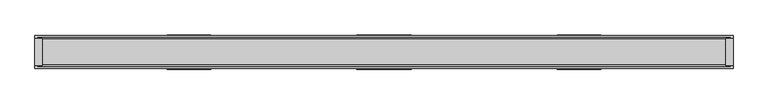
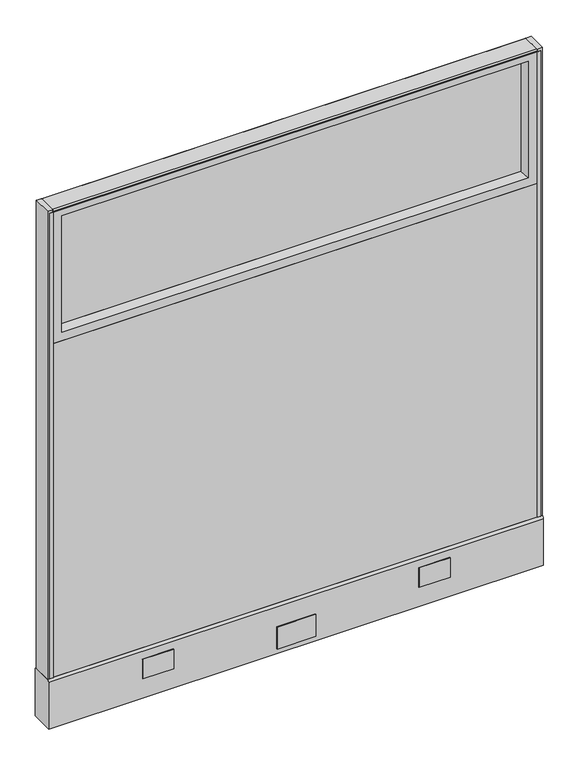
"""IFC4 building model written with IfcOpenShell, lengths in millimetres: furniture geometry."""

from ifc_helpers import new_model, si_unit, point, frame, frame_2d, origin, place, context, project, spatial, polyline, circle_curve, trimmed, segment, composite_curve, outline, extrude, faceted_brep, source, transform, mapped, element, save
from ifc_brep_helpers import plane_surface, cylinder_surface, advanced_brep


def furniture_85799d44(model_context):
    return source(origin(), model_context, "Body", "SolidModel", [
        extrude(outline(polyline([(596.9, 23.8125), (596.9, 0.0), (-596.9, 0.0), (-596.9, 23.8125), (596.9, 23.8125)])), frame((0.0, 0.0, 136.525), z_axis=(0.0, 0.0, 1.0), x_axis=(1.0, 0.0, 0.0)), (0.0, 0.0, 1.0), 869.9500242),
        extrude(outline(polyline([(568.3280802, 3.5657282), (568.3280802, -3.5657282), (-568.3209786, -3.5657282), (-568.3209786, 3.5657282), (568.3280802, 3.5657282)])), frame((0.0, 0.0, 1035.0500242), z_axis=(0.0, 0.0, 1.0), x_axis=(1.0, 0.0, 0.0)), (0.0, 0.0, 1.0), 290.5125727),
        faceted_brep([(574.6790846, 23.8125, 1028.6990198), (568.3280802, 3.5657282, 1035.0500242), (568.3280802, 3.5657282, 1325.5625969), (574.6790846, 23.8125, 1331.9136014), (596.9030802, -23.8125, 1006.4750242), (596.9030802, 23.8125, 1006.4750242), (596.9030802, 23.8125, 1354.1375969), (596.9030802, -23.8125, 1354.1375969), (568.3280802, -3.5657282, 1035.0500242), (574.6790846, -23.8125, 1028.6990198), (574.6790846, -23.8125, 1331.9136014), (568.3280802, -3.5657282, 1325.5625969), (-568.3209786, 3.5657282, 1325.5625969), (-574.6719831, 23.8125, 1331.9136014), (-596.8959786, 23.8125, 1354.1375969), (-596.8959786, -23.8125, 1354.1375969), (-574.6719831, -23.8125, 1331.9136014), (-568.3209786, -3.5657282, 1325.5625969), (-568.3209786, 3.5657282, 1035.0500242), (-574.6719831, 23.8125, 1028.6990198), (-596.8959786, 23.8125, 1006.4750242), (-596.8959786, -23.8125, 1006.4750242), (-574.6719831, -23.8125, 1028.6990198), (-568.3209786, -3.5657282, 1035.0500242)], [[[0, 1, 2, 3]], [[4, 5, 6, 7]], [[8, 9, 10, 11]], [[1, 8, 11, 2]], [[3, 2, 12, 13]], [[7, 6, 14, 15]], [[11, 10, 16, 17]], [[2, 11, 17, 12]], [[13, 12, 18, 19]], [[15, 14, 20, 21]], [[17, 16, 22, 23]], [[12, 17, 23, 18]], [[19, 18, 1, 0]], [[5, 20, 14, 6], [3, 13, 19, 0]], [[21, 20, 5, 4]], [[7, 15, 21, 4], [9, 22, 16, 10]], [[23, 22, 9, 8]], [[18, 23, 8, 1]]]),
        extrude(outline(polyline([(47.625, 28.575), (-47.625, 28.575), (-47.625, 30.1625), (47.625, 30.1625), (47.625, 28.575)])), frame((0.0, 0.0, 22.225), z_axis=(0.0, 0.0, 1.0), x_axis=(1.0, 0.0, 0.0)), (0.0, 0.0, 1.0), 57.15),
        extrude(outline(polyline([(47.625, -30.1625), (-47.625, -30.1625), (-47.625, -28.575), (47.625, -28.575), (47.625, -30.1625)])), frame((0.0, 0.0, 22.225), z_axis=(0.0, 0.0, 1.0), x_axis=(1.0, 0.0, 0.0)), (0.0, 0.0, 1.0), 57.15),
        advanced_brep(
        [(552.45, 0.0, 0.0), (577.85, 0.0, 0.0), (565.15, 0.0, 0.0), (552.45, 0.0, 4.7625), (577.85, 0.0, 4.7625), (558.8, 0.0, 4.7625), (571.5, 0.0, 4.7625), (558.8, 0.0, 111.125), (571.5, 0.0, 111.125), (565.15, 0.0, 111.125)],
        [
            (0, 1, circle_curve(frame((565.15, 0.0, 0.0), z_axis=(0.0, 0.0, -1.0), x_axis=(1.0, 0.0, 0.0)), 12.7)),
            (1, 2),
            (2, 0),
            (1, 0, circle_curve(frame((565.15, 0.0, 0.0), z_axis=(0.0, 0.0, -1.0), x_axis=(1.0, 0.0, 0.0)), 12.7)),
            (3, 4, circle_curve(frame((565.15, 0.0, 4.7625), z_axis=(0.0, 0.0, -1.0), x_axis=(1.0, 0.0, 0.0)), 12.7)),
            (4, 1),
            (0, 3),
            (4, 3, circle_curve(frame((565.15, 0.0, 4.7625), z_axis=(0.0, 0.0, -1.0), x_axis=(1.0, 0.0, 0.0)), 12.7)),
            (5, 6, circle_curve(frame((565.15, 0.0, 4.7625), z_axis=(0.0, 0.0, -1.0), x_axis=(1.0, 0.0, 0.0)), 6.35)),
            (6, 4),
            (3, 5),
            (6, 5, circle_curve(frame((565.15, 0.0, 4.7625), z_axis=(0.0, 0.0, -1.0), x_axis=(1.0, 0.0, 0.0)), 6.35)),
            (7, 8, circle_curve(frame((565.15, 0.0, 111.125), z_axis=(0.0, 0.0, -1.0), x_axis=(1.0, 0.0, 0.0)), 6.35)),
            (8, 6),
            (5, 7),
            (8, 7, circle_curve(frame((565.15, 0.0, 111.125), z_axis=(0.0, 0.0, -1.0), x_axis=(1.0, 0.0, 0.0)), 6.35)),
            (9, 8),
            (7, 9),
        ],
        [
            plane_surface(frame((565.15, 0.0, 0.0), z_axis=(0.0, 0.0, -1.0), x_axis=(1.0, 0.0, 0.0))),
            cylinder_surface(frame((565.15, 0.0, 114.882153), z_axis=(0.0, 0.0, 1.0), x_axis=(1.0, 0.0, 0.0)), 12.7),
            plane_surface(frame((565.15, 0.0, 4.7625), z_axis=(0.0, 0.0, 1.0), x_axis=(1.0, 0.0, 0.0))),
            cylinder_surface(frame((565.15, 0.0, 114.882153), z_axis=(0.0, 0.0, 1.0), x_axis=(1.0, 0.0, 0.0)), 6.35),
            plane_surface(frame((565.15, 0.0, 111.125), z_axis=(0.0, 0.0, 1.0), x_axis=(1.0, 0.0, 0.0))),
        ],
        [
            (0, [[1, 2, 3]]),
            (0, [[4, -3, -2]]),
            (1, [[5, 6, -1, 7]]),
            (1, [[8, -7, -4, -6]]),
            (2, [[9, 10, -5, 11]]),
            (2, [[12, -11, -8, -10]]),
            (3, [[13, 14, -9, 15]]),
            (3, [[16, -15, -12, -14]]),
            (4, [[17, -13, 18]]),
            (4, [[-18, -16, -17]]),
        ],
    ),
        advanced_brep(
        [(-577.85, 0.0, 4.7625), (-552.45, 0.0, 4.7625), (-552.45, 0.0, 0.0), (-577.85, 0.0, 0.0), (-571.5, 0.0, 4.7625), (-558.8, 0.0, 4.7625), (-571.5, 0.0, 111.125), (-558.8, 0.0, 111.125), (-565.15, 0.0, 111.125), (-565.15, 0.0, 0.0)],
        [
            (0, 1, circle_curve(frame((-565.15, 0.0, 4.7625), z_axis=(0.0, 0.0, -1.0), x_axis=(1.0, 0.0, 0.0)), 12.7)),
            (1, 2),
            (2, 3, circle_curve(frame((-565.15, 0.0, 0.0), z_axis=(0.0, 0.0, 1.0), x_axis=(1.0, 0.0, 0.0)), 12.7)),
            (3, 0),
            (1, 0, circle_curve(frame((-565.15, 0.0, 4.7625), z_axis=(0.0, 0.0, -1.0), x_axis=(1.0, 0.0, 0.0)), 12.7)),
            (3, 2, circle_curve(frame((-565.15, 0.0, 0.0), z_axis=(0.0, 0.0, 1.0), x_axis=(1.0, 0.0, 0.0)), 12.7)),
            (4, 5, circle_curve(frame((-565.15, 0.0, 4.7625), z_axis=(0.0, 0.0, -1.0), x_axis=(1.0, 0.0, 0.0)), 6.35)),
            (5, 1),
            (0, 4),
            (5, 4, circle_curve(frame((-565.15, 0.0, 4.7625), z_axis=(0.0, 0.0, -1.0), x_axis=(1.0, 0.0, 0.0)), 6.35)),
            (6, 7, circle_curve(frame((-565.15, 0.0, 111.125), z_axis=(0.0, 0.0, -1.0), x_axis=(1.0, 0.0, 0.0)), 6.35)),
            (7, 5),
            (4, 6),
            (7, 6, circle_curve(frame((-565.15, 0.0, 111.125), z_axis=(0.0, 0.0, -1.0), x_axis=(1.0, 0.0, 0.0)), 6.35)),
            (8, 7),
            (6, 8),
            (2, 9),
            (9, 3),
        ],
        [
            cylinder_surface(frame((-565.15, 0.0, 123.825), z_axis=(0.0, 0.0, 1.0), x_axis=(1.0, 0.0, 0.0)), 12.7),
            plane_surface(frame((-565.15, 0.0, 4.7625), z_axis=(0.0, 0.0, 1.0), x_axis=(1.0, 0.0, 0.0))),
            cylinder_surface(frame((-565.15, 0.0, 123.825), z_axis=(0.0, 0.0, 1.0), x_axis=(1.0, 0.0, 0.0)), 6.35),
            plane_surface(frame((-565.15, 0.0, 111.125), z_axis=(0.0, 0.0, 1.0), x_axis=(1.0, 0.0, 0.0))),
            plane_surface(frame((-565.15, 0.0, 0.0), z_axis=(0.0, 0.0, -1.0), x_axis=(1.0, 0.0, 0.0))),
        ],
        [
            (0, [[1, 2, 3, 4]]),
            (0, [[5, -4, 6, -2]]),
            (1, [[7, 8, -1, 9]]),
            (1, [[10, -9, -5, -8]]),
            (2, [[11, 12, -7, 13]]),
            (2, [[14, -13, -10, -12]]),
            (3, [[15, -11, 16]]),
            (3, [[-16, -14, -15]]),
            (4, [[-3, 17, 18]]),
            (4, [[-6, -18, -17]]),
        ],
    ),
        extrude(outline(polyline([(-609.6, 23.8125), (-596.9, 23.8125), (-596.9, -23.8125), (-609.6, -23.8125), (-609.6, 23.8125)])), frame((0.0, 0.0, 136.525), z_axis=(0.0, 0.0, 1.0), x_axis=(1.0, 0.0, 0.0)), (0.0, 0.0, 1.0), 1219.2),
        extrude(outline(polyline([(596.9, -23.8125), (596.9, 23.8125), (609.6, 23.8125), (609.6, -23.8125), (596.9, -23.8125)])), frame((0.0, 0.0, 136.525), z_axis=(0.0, 0.0, 1.0), x_axis=(1.0, 0.0, 0.0)), (0.0, 0.0, 1.0), 1219.2),
        extrude(outline(polyline([(-596.9, 25.4), (-596.9, 23.8125), (-604.8375, 23.8125), (-604.8375, 25.4), (-596.9, 25.4)])), frame((0.0, 0.0, 136.525), z_axis=(0.0, 0.0, 1.0), x_axis=(1.0, 0.0, 0.0)), (0.0, 0.0, 1.0), 1212.85),
        extrude(outline(polyline([(-596.9, -25.4), (-604.8375, -25.4), (-604.8375, -23.8125), (-596.9, -23.8125), (-596.9, -25.4)])), frame((0.0, 0.0, 136.525), z_axis=(0.0, 0.0, 1.0), x_axis=(1.0, 0.0, 0.0)), (0.0, 0.0, 1.0), 1212.85),
        extrude(outline(polyline([(604.8375, 23.8125), (596.9, 23.8125), (596.9, 25.4), (604.8375, 25.4), (604.8375, 23.8125)])), frame((0.0, 0.0, 136.525), z_axis=(0.0, 0.0, 1.0), x_axis=(1.0, 0.0, 0.0)), (0.0, 0.0, 1.0), 1212.85),
        extrude(outline(polyline([(596.9, -25.4), (596.9, -23.8125), (604.8375, -23.8125), (604.8375, -25.4), (596.9, -25.4)])), frame((0.0, 0.0, 136.525), z_axis=(0.0, 0.0, 1.0), x_axis=(1.0, 0.0, 0.0)), (0.0, 0.0, 1.0), 1212.85),
        extrude(outline(composite_curve([segment(trimmed(circle_curve(frame_2d((22.225, 1352.55)), 3.175), [point((22.225, 1355.725))], [point((25.4, 1352.55))], False, "CARTESIAN"), True, "CONTINUOUS"), segment(polyline([(25.4, 1352.55), (25.4, 1349.375), (-25.4, 1349.375), (-25.4, 1352.55)]), True, "CONTINUOUS"), segment(trimmed(circle_curve(frame_2d((-22.225, 1352.55)), 3.175), [point((-25.4, 1352.55))], [point((-22.225, 1355.725))], False, "CARTESIAN"), True, "CONTINUOUS"), segment(polyline([(-22.225, 1355.725), (22.225, 1355.725)]), True, "CONTINUOUS")], self_intersect=False)), frame((-596.9, 0.0, 0.0), z_axis=(1.0, 0.0, 0.0), x_axis=(0.0, 1.0, 0.0)), (0.0, 0.0, 1.0), 1193.8),
        extrude(outline(polyline([(378.714, 30.1625), (378.714, 28.575), (302.514, 28.575), (302.514, 30.1625), (378.714, 30.1625)])), frame((0.0, 0.0, 60.325), z_axis=(0.0, 0.0, 1.0), x_axis=(1.0, 0.0, 0.0)), (0.0, 0.0, 1.0), 50.8),
        extrude(outline(polyline([(-302.514, 30.1625), (-302.514, 28.575), (-378.714, 28.575), (-378.714, 30.1625), (-302.514, 30.1625)])), frame((0.0, 0.0, 60.325), z_axis=(0.0, 0.0, 1.0), x_axis=(1.0, 0.0, 0.0)), (0.0, 0.0, 1.0), 50.8),
        extrude(outline(polyline([(378.714, -28.575), (378.714, -30.1625), (302.514, -30.1625), (302.514, -28.575), (378.714, -28.575)])), frame((0.0, 0.0, 60.325), z_axis=(0.0, 0.0, 1.0), x_axis=(1.0, 0.0, 0.0)), (0.0, 0.0, 1.0), 50.8),
        extrude(outline(polyline([(-302.514, -28.575), (-302.514, -30.1625), (-378.714, -30.1625), (-378.714, -28.575), (-302.514, -28.575)])), frame((0.0, 0.0, 60.325), z_axis=(0.0, 0.0, 1.0), x_axis=(1.0, 0.0, 0.0)), (0.0, 0.0, 1.0), 50.8),
        extrude(outline(composite_curve([segment(polyline([(28.575, 9.525), (-28.575, 9.525), (-28.575, 130.96875)]), True, "CONTINUOUS"), segment(trimmed(circle_curve(frame_2d((-23.01875, 130.96875)), 5.55625), [point((-28.575, 130.96875))], [point((-23.01875, 136.525))], False, "CARTESIAN"), True, "CONTINUOUS"), segment(polyline([(-23.01875, 136.525), (23.01875, 136.525)]), True, "CONTINUOUS"), segment(trimmed(circle_curve(frame_2d((23.01875, 130.96875)), 5.55625), [point((23.01875, 136.525))], [point((28.575, 130.96875))], False, "CARTESIAN"), True, "CONTINUOUS"), segment(polyline([(28.575, 130.96875), (28.575, 9.525)]), True, "CONTINUOUS")], self_intersect=False)), frame((-609.6, 0.0, 0.0), z_axis=(1.0, 0.0, 0.0), x_axis=(0.0, 1.0, 0.0)), (0.0, 0.0, 1.0), 1219.2),
        extrude(outline(polyline([(596.9, 0.0), (596.9, -23.8125), (-596.9, -23.8125), (-596.9, 0.0), (596.9, 0.0)])), frame((0.0, 0.0, 136.525), z_axis=(0.0, 0.0, 1.0), x_axis=(1.0, 0.0, 0.0)), (0.0, 0.0, 1.0), 869.9500242),
    ])


if __name__ == "__main__":
    model = new_model("IFC4")
    model_context = context("Model", 3, world=origin())
    ifc_project = project(units=[si_unit("LENGTHUNIT", "METRE", prefix="MILLI")], contexts=[model_context])
    site = spatial("IfcSite", under=ifc_project)
    building = spatial("IfcBuilding", under=site)
    placement = place(None, origin())
    furniture_shape = furniture_85799d44(model_context)
    element("IfcFurniture", 1, at=placement, inside=building, context=model_context, shape_type="MappedRepresentation", body=[
        mapped(furniture_shape, transform((0.0, 0.0, 0.0), x_axis=(1.0, 0.0, 0.0), y_axis=(0.0, 1.0, 0.0), z_axis=(0.0, 0.0, 1.0))),
    ])
    save(model, "model.ifc")
